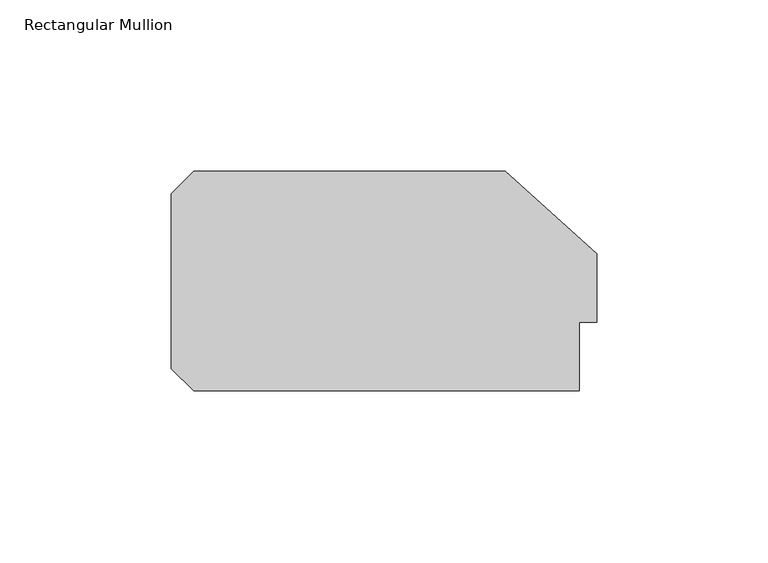
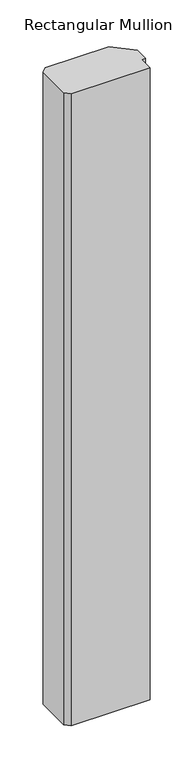
"""IFC4 building model written with IfcOpenShell, lengths in millimetres: member geometry, Rectangular Mullion."""

from ifc_helpers import new_model, si_unit, frame, origin, place, context, project, spatial, polyline, outline, extrude, source, transform, mapped, element, save


def rectangular_mullion_6fda9e2a(model_context):
    return source(origin(), model_context, "Body", "SweptSolid", [
        extrude(outline(polyline([(-5.0, 20.0), (-5.0, 0.0), (-117.5, 0.0), (-124.0, 6.5), (-124.0, 57.5), (-117.5, 64.0), (-26.6547004, 64.0), (0.0, 40.0), (0.0, 20.0), (-5.0, 20.0)])), frame((0.0, 0.0, -950.0000002), z_axis=(0.0, 0.0, 1.0), x_axis=(1.0, 0.0, 0.0)), (0.0, 0.0, 1.0), 950.0000002),
    ])


if __name__ == "__main__":
    model = new_model("IFC4")
    model_context = context("Model", 3, world=origin())
    ifc_project = project(units=[si_unit("LENGTHUNIT", "METRE", prefix="MILLI")], contexts=[model_context])
    site = spatial("IfcSite", under=ifc_project)
    building = spatial("IfcBuilding", under=site)
    placement = place(None, origin())
    rectangular_mullion_shape = rectangular_mullion_6fda9e2a(model_context)
    element("IfcMember", 1, ObjectType="Rectangular Mullion", at=placement, inside=building, context=model_context, shape_type="MappedRepresentation", body=[
        mapped(rectangular_mullion_shape, transform((0.0, 0.0, 0.0), x_axis=(1.0, 0.0, 0.0), y_axis=(0.0, 1.0, 0.0), z_axis=(0.0, 0.0, 1.0))),
    ])
    save(model, "model.ifc")
